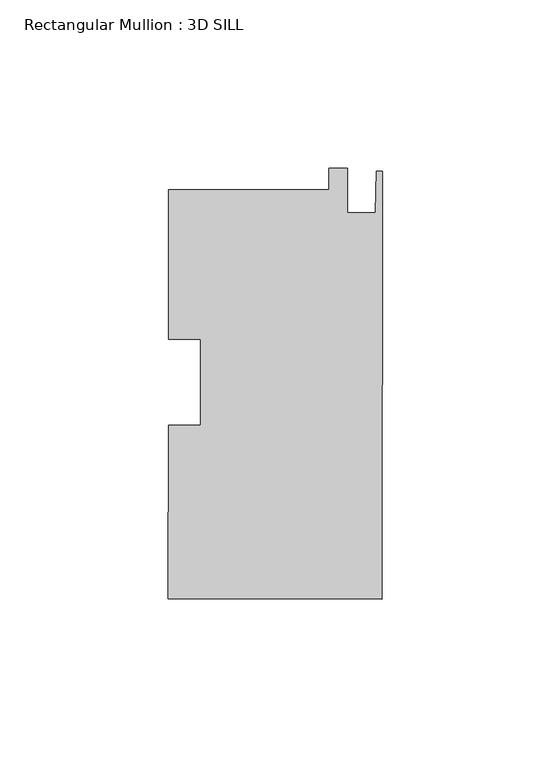
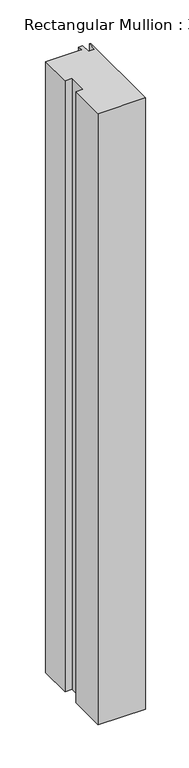
"""IFC4 building model written with IfcOpenShell, lengths in millimetres: member geometry, Rectangular Mullion : 3D SILL."""

import ifcopenshell
import ifcopenshell.guid

model = None  # the IFC model being written
_history = None  # IfcOwnerHistory: only IFC2X3 demands one
_inside = {}  # id of a spatial element -> (the spatial element, [elements in it])
_under = {}  # id of a project, library or spatial element -> (it, [spatial elements below it])
_declared = {}  # id of a project -> (the project, [libraries it declares])
_typed = {}  # id of a type object -> (the type object, [elements of that type])
_made_of = {}  # id of a material, layer set ... -> (it, [elements and type objects made of it])


def new_model(schema):
    """Start an empty IFC model of exactly this schema.

    Asked for "IFC4X3", IfcOpenShell would pick the latest addendum, in which some entities
    have other attributes; the version numbers below select the first issue.
    IFC2X3 requires an IfcOwnerHistory on every rooted entity: one is made here for all.
    """
    global model, _history
    if schema == "IFC4X3":
        model = ifcopenshell.file(schema_version=(4, 3, 0, 0))
    else:
        model = ifcopenshell.file(schema=schema)
    _inside.clear()
    _under.clear()
    _declared.clear()
    _typed.clear()
    _made_of.clear()
    _history = None
    if model.schema == "IFC2X3":
        org = make("IfcOrganization", Name="unknown")
        user = make(
            "IfcPersonAndOrganization",
            ThePerson=make("IfcPerson", FamilyName="unknown"),
            TheOrganization=org,
        )
        app = make(
            "IfcApplication",
            ApplicationDeveloper=org,
            Version="unknown",
            ApplicationFullName="unknown",
            ApplicationIdentifier="unknown",
        )
        _history = make(
            "IfcOwnerHistory",
            OwningUser=user,
            OwningApplication=app,
            ChangeAction="ADDED",
            CreationDate=0,
        )
    return model


def make(cls, **values):
    """One entity of the class cls with the attributes given. An attribute that is None is left unset."""
    return model.create_entity(
        cls, **{name: value for name, value in values.items() if value is not None}
    )


def rooted(cls, **values):
    """An entity with a GlobalId (a new one), such as an element, a storey or a relation."""
    return make(cls, GlobalId=ifcopenshell.guid.new(), OwnerHistory=_history, **values)


def si_unit(unit_type, name, prefix=None):
    """IfcSIUnit, for example si_unit("LENGTHUNIT", "METRE", prefix="MILLI")."""
    return make("IfcSIUnit", UnitType=unit_type, Prefix=prefix, Name=name)


def assignment(units):
    """IfcUnitAssignment: the units of a project."""
    return None if units is None else make("IfcUnitAssignment", Units=units)


def point(xyz):
    """IfcCartesianPoint."""
    return None if xyz is None else make("IfcCartesianPoint", Coordinates=xyz)


def direction(xyz):
    """IfcDirection."""
    return None if xyz is None else make("IfcDirection", DirectionRatios=xyz)


def frame(location, z_axis=None, x_axis=None):
    """IfcAxis2Placement3D, a coordinate frame: its origin and axes. An axis left out is left unset."""
    return make(
        "IfcAxis2Placement3D",
        Location=point(location),
        Axis=direction(z_axis),
        RefDirection=direction(x_axis),
    )


def origin():
    """The frame at (0, 0, 0) with its axes left unset."""
    return frame((0.0, 0.0, 0.0))


def place(relative_to, where):
    """IfcLocalPlacement: puts the frame where relative to a parent placement (None: the world)."""
    return make(
        "IfcLocalPlacement", PlacementRelTo=relative_to, RelativePlacement=where
    )


def context(
    kind, dimensions, precision=None, world=None, true_north=None, identifier=None
):
    """IfcGeometricRepresentationContext, for example the 3D "Model" context."""
    return make(
        "IfcGeometricRepresentationContext",
        ContextIdentifier=identifier,
        ContextType=kind,
        CoordinateSpaceDimension=dimensions,
        Precision=precision,
        WorldCoordinateSystem=world,
        TrueNorth=true_north,
    )


def project(units=None, contexts=None):
    """IfcProject with its units and contexts."""
    return rooted(
        "IfcProject",
        Name="project",
        RepresentationContexts=contexts,
        UnitsInContext=assignment(units),
    )


def spatial(cls, under=None, at=None, **own):
    """A site, building, storey or space (cls), placed at a placement, below another one or the project."""
    s = rooted(cls, ObjectPlacement=at, **own)
    if under is not None:
        _under.setdefault(under.id(), (under, []))[1].append(s)
    return s


def polyline(points):
    """IfcPolyline through the points."""
    return make("IfcPolyline", Points=[point(p) for p in points])


def outline(outer, holes=None, kind="AREA"):
    """IfcArbitraryClosedProfileDef: a profile drawn as a closed curve; with holes, ...WithVoids."""
    if holes is None:
        return make("IfcArbitraryClosedProfileDef", ProfileType=kind, OuterCurve=outer)
    return make(
        "IfcArbitraryProfileDefWithVoids",
        ProfileType=kind,
        OuterCurve=outer,
        InnerCurves=holes,
    )


def extrude(swept, where, along, depth):
    """IfcExtrudedAreaSolid: the profile swept, set in the frame where, extruded along a direction by depth."""
    return make(
        "IfcExtrudedAreaSolid",
        SweptArea=swept,
        Position=where,
        ExtrudedDirection=direction(along),
        Depth=depth,
    )


def shape(context_of_items, identifier, shape_type, items):
    """IfcShapeRepresentation: the items that make up one representation, for example the "Body"."""
    return make(
        "IfcShapeRepresentation",
        ContextOfItems=context_of_items,
        RepresentationIdentifier=identifier,
        RepresentationType=shape_type,
        Items=items,
    )


def source(mapping_origin, context_of_items, identifier, shape_type, items):
    """IfcRepresentationMap: a shape defined once, which mapped items show again and again."""
    return make(
        "IfcRepresentationMap",
        MappingOrigin=mapping_origin,
        MappedRepresentation=shape(context_of_items, identifier, shape_type, items),
    )


def transform(
    local_origin,
    x_axis=None,
    y_axis=None,
    z_axis=None,
    scale=None,
    scale2=None,
    scale3=None,
    uniform=True,
):
    """IfcCartesianTransformationOperator3D, or its non-uniform kind. x_axis, y_axis, z_axis: its Axis1, 2, 3."""
    if uniform:
        return make(
            "IfcCartesianTransformationOperator3D",
            Axis1=direction(x_axis),
            Axis2=direction(y_axis),
            LocalOrigin=point(local_origin),
            Scale=scale,
            Axis3=direction(z_axis),
        )
    return make(
        "IfcCartesianTransformationOperator3DnonUniform",
        Axis1=direction(x_axis),
        Axis2=direction(y_axis),
        LocalOrigin=point(local_origin),
        Scale=scale,
        Axis3=direction(z_axis),
        Scale2=scale2,
        Scale3=scale3,
    )


def mapped(mapping_source, mapping_target):
    """IfcMappedItem: shows the shape of a source again, moved by a transform."""
    return make(
        "IfcMappedItem", MappingSource=mapping_source, MappingTarget=mapping_target
    )


def made_of(thing, what):
    """Note that an element or type object is made of a material, layer set ...; save() writes the relation."""
    if what is not None:
        _made_of.setdefault(what.id(), (what, []))[1].append(thing)
    return thing


def element(
    cls,
    number,
    at=None,
    inside=None,
    cuts=None,
    type_object=None,
    material=None,
    context=None,
    identifier="Body",
    shape_type=None,
    held_by="IfcProductDefinitionShape",
    body=None,
    shapes=None,
    **own,
):
    """One element of the class cls, such as IfcWall. Its Tag is "e" and its number.

    at: its placement. inside: the storey or other place that contains it. cuts: it is an
    opening in that element (IfcRelVoidsElement). A single representation is given by context,
    identifier, shape_type and body (its items); several are given by shapes. held_by: the class
    of the entity that holds the representations. save() writes the other relations.
    """
    e = rooted(cls, Tag="e%d" % number, ObjectPlacement=at, **own)
    if body is not None:
        shapes = [shape(context, identifier, shape_type, body)]
    if shapes is not None:
        e.Representation = make(held_by, Representations=shapes)
    if inside is not None:
        _inside.setdefault(inside.id(), (inside, []))[1].append(e)
    if cuts is not None:
        rooted(
            "IfcRelVoidsElement", RelatingBuildingElement=cuts, RelatedOpeningElement=e
        )
    if type_object is not None:
        _typed.setdefault(type_object.id(), (type_object, []))[1].append(e)
    return made_of(e, material)


def aggregate(whole, parts):
    """IfcRelAggregates: a whole, such as a stair, and the parts it consists of."""
    return rooted("IfcRelAggregates", RelatingObject=whole, RelatedObjects=parts)


def save(model, path):
    """Write the relations noted so far, then the file.

    IfcRelAggregates (storeys below a building ...), IfcRelContainedInSpatialStructure (elements
    in a storey), IfcRelDefinesByType, IfcRelAssociatesMaterial and IfcRelDeclares: one each for
    every whole, place, type object, material and project.
    """
    for whole, parts in _under.values():
        aggregate(whole, parts)
    for where, things in _inside.values():
        rooted(
            "IfcRelContainedInSpatialStructure",
            RelatedElements=things,
            RelatingStructure=where,
        )
    for kind, things in _typed.values():
        rooted("IfcRelDefinesByType", RelatedObjects=things, RelatingType=kind)
    for what, things in _made_of.values():
        rooted("IfcRelAssociatesMaterial", RelatedObjects=things, RelatingMaterial=what)
    for by, libraries in _declared.values():
        rooted("IfcRelDeclares", RelatingContext=by, RelatedDefinitions=libraries)
    model.write(path)


def rectangular_mullion_3d_sill_0dc358a3(model_context):
    return source(origin(), model_context, "Body", "SweptSolid", [
        extrude(outline(polyline([(-15.8785297, 57.0944487), (-15.8744967, 63.4444474), (-10.3118978, 63.4409144), (-10.3202382, 50.3091171), (-2.0398398, 50.303858), (-1.7779996, 62.6480942), (0.0, 62.6469649), (-0.0806567, -64.3465324), (-63.5806439, -64.306202), (-63.5479185, -12.7802285), (-54.0229204, -12.7862781), (-54.0067326, 12.7014151), (-63.5317306, 12.7074647), (-63.5035201, 57.1246965), (-15.8785297, 57.0944487)])), frame((0.0, 0.0, -864.0942008), z_axis=(0.0, 0.0, 1.0), x_axis=(1.0, 0.0, 0.0)), (0.0, 0.0, 1.0), 864.0942008),
    ])


if __name__ == "__main__":
    model = new_model("IFC4")
    model_context = context("Model", 3, world=origin())
    ifc_project = project(units=[si_unit("LENGTHUNIT", "METRE", prefix="MILLI")], contexts=[model_context])
    site = spatial("IfcSite", under=ifc_project)
    building = spatial("IfcBuilding", under=site)
    placement = place(None, origin())
    rectangular_mullion_3d_sill_shape = rectangular_mullion_3d_sill_0dc358a3(model_context)
    element("IfcMember", 1, ObjectType="Rectangular Mullion : 3D SILL", at=placement, inside=building, context=model_context, shape_type="MappedRepresentation", body=[
        mapped(rectangular_mullion_3d_sill_shape, transform((0.0, 0.0, 0.0), x_axis=(1.0, 0.0, 0.0), y_axis=(0.0, 1.0, 0.0), z_axis=(0.0, 0.0, 1.0))),
    ])
    save(model, "model.ifc")
